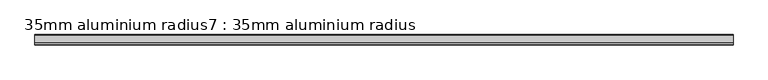
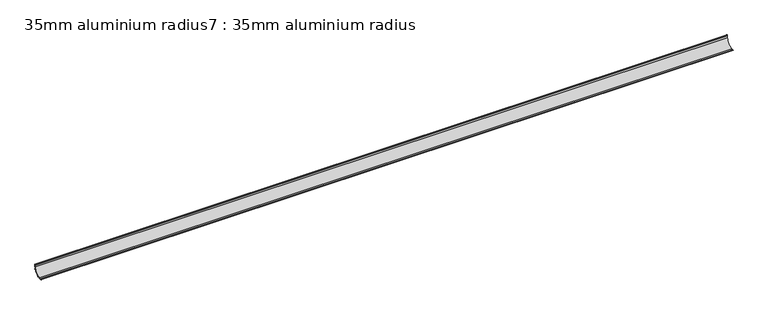
"""IFC4 building model written with IfcOpenShell, lengths in millimetres: proxy geometry, 35mm aluminium radius7 : 35mm aluminium radius."""

from ifc_helpers import new_model, si_unit, point, frame, frame_2d, origin, place, context, project, spatial, polyline, circle_curve, trimmed, segment, composite_curve, outline, extrude, source, transform, mapped, element, save


def proxy_35mm_aluminium_radius7_35mm_aluminium_radius_cba777aa(model_context):
    return source(origin(), model_context, "Body", "SweptSolid", [
        extrude(outline(composite_curve([segment(trimmed(circle_curve(frame_2d((-9056.5783258, 33.7699793)), 1.2042709), [point((-9057.4871891, 34.5600654))], [point((-9057.7538557, 33.5084497))], True, "CARTESIAN"), True, "CONTINUOUS"), segment(polyline([(-9057.7538557, 33.5084497), (-9057.7538557, 26.8)]), True, "CONTINUOUS"), segment(trimmed(circle_curve(frame_2d((-9084.1538557, 26.8)), 26.4), [point((-9057.7538557, 26.8))], [point((-9058.9951594, 18.8))], False, "CARTESIAN"), True, "CONTINUOUS"), segment(polyline([(-9058.9951594, 18.8), (-9057.3538557, 18.8), (-9057.3538557, 17.4), (-9059.4840361, 17.4)]), True, "CONTINUOUS"), segment(trimmed(circle_curve(frame_2d((-9084.1538557, 26.8)), 26.4), [point((-9059.4840361, 17.4))], [point((-9074.7538557, 2.1301804))], False, "CARTESIAN"), True, "CONTINUOUS"), segment(polyline([(-9074.7538557, 2.1301804), (-9074.7538557, 0.0), (-9076.1538557, 0.0), (-9076.1538557, 1.6413037)]), True, "CONTINUOUS"), segment(trimmed(circle_curve(frame_2d((-9084.1538557, 26.8)), 26.4), [point((-9076.1538557, 1.6413037))], [point((-9084.1538557, 0.4))], False, "CARTESIAN"), True, "CONTINUOUS"), segment(polyline([(-9084.1538557, 0.4), (-9090.5001478, 0.4)]), True, "CONTINUOUS"), segment(trimmed(circle_curve(frame_2d((-9090.6943415, -2.4514518)), 2.8580567), [point((-9090.5001478, 0.4))], [point((-9091.9139211, 0.1333333))], True, "CARTESIAN"), True, "CONTINUOUS"), segment(trimmed(circle_curve(frame_2d((-9092.2538557, 0.5)), 0.5), [point((-9091.9139211, 0.1333333))], [point((-9092.626609, 0.8332491))], False, "CARTESIAN"), True, "CONTINUOUS"), segment(trimmed(circle_curve(frame_2d((-9090.420731, -1.2)), 3.0), [point((-9092.626609, 0.8332491))], [point((-9090.420731, 1.8))], False, "CARTESIAN"), True, "CONTINUOUS"), segment(polyline([(-9090.420731, 1.8), (-9084.1538557, 1.8)]), True, "CONTINUOUS"), segment(trimmed(circle_curve(frame_2d((-9084.1538557, 26.8)), 25.0), [point((-9084.1538557, 1.8))], [point((-9059.1538557, 26.8))], True, "CARTESIAN"), True, "CONTINUOUS"), segment(polyline([(-9059.1538557, 26.8), (-9059.1538557, 33.0668752)]), True, "CONTINUOUS"), segment(trimmed(circle_curve(frame_2d((-9056.1538557, 33.0668752)), 3.0), [point((-9059.1538557, 33.0668752))], [point((-9058.2004747, 35.2603544))], False, "CARTESIAN"), True, "CONTINUOUS"), segment(trimmed(circle_curve(frame_2d((-9057.8538557, 34.9)), 0.5), [point((-9058.2004747, 35.2603544))], [point((-9057.4871891, 34.5600654))], False, "CARTESIAN"), True, "CONTINUOUS")], self_intersect=False)), frame((-7955.3690716, 0.0, 0.0), z_axis=(1.0, 0.0, 0.0), x_axis=(0.0, 1.0, 0.0)), (0.0, 0.0, 1.0), 2400.0),
    ])


if __name__ == "__main__":
    model = new_model("IFC4")
    model_context = context("Model", 3, world=origin())
    ifc_project = project(units=[si_unit("LENGTHUNIT", "METRE", prefix="MILLI")], contexts=[model_context])
    site = spatial("IfcSite", under=ifc_project)
    building = spatial("IfcBuilding", under=site)
    placement = place(None, origin())
    proxy_35mm_aluminium_radius7_35mm_aluminium_radius_shape = proxy_35mm_aluminium_radius7_35mm_aluminium_radius_cba777aa(model_context)
    element("IfcBuildingElementProxy", 1, Name="35mm aluminium radius7 : 35mm aluminium radius", ObjectType="35mm aluminium radius7 : 35mm aluminium radius", at=placement, inside=building, context=model_context, shape_type="MappedRepresentation", body=[
        mapped(proxy_35mm_aluminium_radius7_35mm_aluminium_radius_shape, transform((0.0, 0.0, 0.0), x_axis=(1.0, 0.0, 0.0), y_axis=(0.0, 1.0, 0.0), z_axis=(0.0, 0.0, 1.0))),
    ])
    save(model, "model.ifc")
